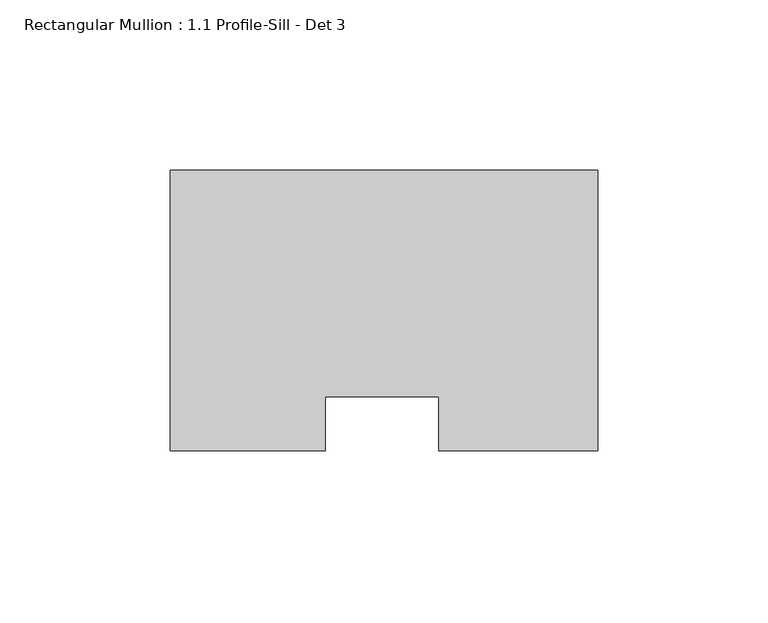
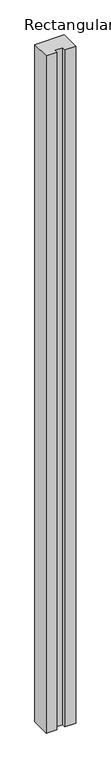
"""IFC4 building model written with IfcOpenShell, lengths in millimetres: member geometry, Rectangular Mullion : 1.1 Profile-Sill - Det 3."""

import ifcopenshell
import ifcopenshell.guid

model = None  # the IFC model being written
_history = None  # IfcOwnerHistory: only IFC2X3 demands one
_inside = {}  # id of a spatial element -> (the spatial element, [elements in it])
_under = {}  # id of a project, library or spatial element -> (it, [spatial elements below it])
_declared = {}  # id of a project -> (the project, [libraries it declares])
_typed = {}  # id of a type object -> (the type object, [elements of that type])
_made_of = {}  # id of a material, layer set ... -> (it, [elements and type objects made of it])


def new_model(schema):
    """Start an empty IFC model of exactly this schema.

    Asked for "IFC4X3", IfcOpenShell would pick the latest addendum, in which some entities
    have other attributes; the version numbers below select the first issue.
    IFC2X3 requires an IfcOwnerHistory on every rooted entity: one is made here for all.
    """
    global model, _history
    if schema == "IFC4X3":
        model = ifcopenshell.file(schema_version=(4, 3, 0, 0))
    else:
        model = ifcopenshell.file(schema=schema)
    _inside.clear()
    _under.clear()
    _declared.clear()
    _typed.clear()
    _made_of.clear()
    _history = None
    if model.schema == "IFC2X3":
        org = make("IfcOrganization", Name="unknown")
        user = make(
            "IfcPersonAndOrganization",
            ThePerson=make("IfcPerson", FamilyName="unknown"),
            TheOrganization=org,
        )
        app = make(
            "IfcApplication",
            ApplicationDeveloper=org,
            Version="unknown",
            ApplicationFullName="unknown",
            ApplicationIdentifier="unknown",
        )
        _history = make(
            "IfcOwnerHistory",
            OwningUser=user,
            OwningApplication=app,
            ChangeAction="ADDED",
            CreationDate=0,
        )
    return model


def make(cls, **values):
    """One entity of the class cls with the attributes given. An attribute that is None is left unset."""
    return model.create_entity(
        cls, **{name: value for name, value in values.items() if value is not None}
    )


def rooted(cls, **values):
    """An entity with a GlobalId (a new one), such as an element, a storey or a relation."""
    return make(cls, GlobalId=ifcopenshell.guid.new(), OwnerHistory=_history, **values)


def si_unit(unit_type, name, prefix=None):
    """IfcSIUnit, for example si_unit("LENGTHUNIT", "METRE", prefix="MILLI")."""
    return make("IfcSIUnit", UnitType=unit_type, Prefix=prefix, Name=name)


def assignment(units):
    """IfcUnitAssignment: the units of a project."""
    return None if units is None else make("IfcUnitAssignment", Units=units)


def point(xyz):
    """IfcCartesianPoint."""
    return None if xyz is None else make("IfcCartesianPoint", Coordinates=xyz)


def direction(xyz):
    """IfcDirection."""
    return None if xyz is None else make("IfcDirection", DirectionRatios=xyz)


def frame(location, z_axis=None, x_axis=None):
    """IfcAxis2Placement3D, a coordinate frame: its origin and axes. An axis left out is left unset."""
    return make(
        "IfcAxis2Placement3D",
        Location=point(location),
        Axis=direction(z_axis),
        RefDirection=direction(x_axis),
    )


def origin():
    """The frame at (0, 0, 0) with its axes left unset."""
    return frame((0.0, 0.0, 0.0))


def place(relative_to, where):
    """IfcLocalPlacement: puts the frame where relative to a parent placement (None: the world)."""
    return make(
        "IfcLocalPlacement", PlacementRelTo=relative_to, RelativePlacement=where
    )


def context(
    kind, dimensions, precision=None, world=None, true_north=None, identifier=None
):
    """IfcGeometricRepresentationContext, for example the 3D "Model" context."""
    return make(
        "IfcGeometricRepresentationContext",
        ContextIdentifier=identifier,
        ContextType=kind,
        CoordinateSpaceDimension=dimensions,
        Precision=precision,
        WorldCoordinateSystem=world,
        TrueNorth=true_north,
    )


def project(units=None, contexts=None):
    """IfcProject with its units and contexts."""
    return rooted(
        "IfcProject",
        Name="project",
        RepresentationContexts=contexts,
        UnitsInContext=assignment(units),
    )


def spatial(cls, under=None, at=None, **own):
    """A site, building, storey or space (cls), placed at a placement, below another one or the project."""
    s = rooted(cls, ObjectPlacement=at, **own)
    if under is not None:
        _under.setdefault(under.id(), (under, []))[1].append(s)
    return s


def polyline(points):
    """IfcPolyline through the points."""
    return make("IfcPolyline", Points=[point(p) for p in points])


def outline(outer, holes=None, kind="AREA"):
    """IfcArbitraryClosedProfileDef: a profile drawn as a closed curve; with holes, ...WithVoids."""
    if holes is None:
        return make("IfcArbitraryClosedProfileDef", ProfileType=kind, OuterCurve=outer)
    return make(
        "IfcArbitraryProfileDefWithVoids",
        ProfileType=kind,
        OuterCurve=outer,
        InnerCurves=holes,
    )


def extrude(swept, where, along, depth):
    """IfcExtrudedAreaSolid: the profile swept, set in the frame where, extruded along a direction by depth."""
    return make(
        "IfcExtrudedAreaSolid",
        SweptArea=swept,
        Position=where,
        ExtrudedDirection=direction(along),
        Depth=depth,
    )


def shape(context_of_items, identifier, shape_type, items):
    """IfcShapeRepresentation: the items that make up one representation, for example the "Body"."""
    return make(
        "IfcShapeRepresentation",
        ContextOfItems=context_of_items,
        RepresentationIdentifier=identifier,
        RepresentationType=shape_type,
        Items=items,
    )


def source(mapping_origin, context_of_items, identifier, shape_type, items):
    """IfcRepresentationMap: a shape defined once, which mapped items show again and again."""
    return make(
        "IfcRepresentationMap",
        MappingOrigin=mapping_origin,
        MappedRepresentation=shape(context_of_items, identifier, shape_type, items),
    )


def transform(
    local_origin,
    x_axis=None,
    y_axis=None,
    z_axis=None,
    scale=None,
    scale2=None,
    scale3=None,
    uniform=True,
):
    """IfcCartesianTransformationOperator3D, or its non-uniform kind. x_axis, y_axis, z_axis: its Axis1, 2, 3."""
    if uniform:
        return make(
            "IfcCartesianTransformationOperator3D",
            Axis1=direction(x_axis),
            Axis2=direction(y_axis),
            LocalOrigin=point(local_origin),
            Scale=scale,
            Axis3=direction(z_axis),
        )
    return make(
        "IfcCartesianTransformationOperator3DnonUniform",
        Axis1=direction(x_axis),
        Axis2=direction(y_axis),
        LocalOrigin=point(local_origin),
        Scale=scale,
        Axis3=direction(z_axis),
        Scale2=scale2,
        Scale3=scale3,
    )


def mapped(mapping_source, mapping_target):
    """IfcMappedItem: shows the shape of a source again, moved by a transform."""
    return make(
        "IfcMappedItem", MappingSource=mapping_source, MappingTarget=mapping_target
    )


def made_of(thing, what):
    """Note that an element or type object is made of a material, layer set ...; save() writes the relation."""
    if what is not None:
        _made_of.setdefault(what.id(), (what, []))[1].append(thing)
    return thing


def element(
    cls,
    number,
    at=None,
    inside=None,
    cuts=None,
    type_object=None,
    material=None,
    context=None,
    identifier="Body",
    shape_type=None,
    held_by="IfcProductDefinitionShape",
    body=None,
    shapes=None,
    **own,
):
    """One element of the class cls, such as IfcWall. Its Tag is "e" and its number.

    at: its placement. inside: the storey or other place that contains it. cuts: it is an
    opening in that element (IfcRelVoidsElement). A single representation is given by context,
    identifier, shape_type and body (its items); several are given by shapes. held_by: the class
    of the entity that holds the representations. save() writes the other relations.
    """
    e = rooted(cls, Tag="e%d" % number, ObjectPlacement=at, **own)
    if body is not None:
        shapes = [shape(context, identifier, shape_type, body)]
    if shapes is not None:
        e.Representation = make(held_by, Representations=shapes)
    if inside is not None:
        _inside.setdefault(inside.id(), (inside, []))[1].append(e)
    if cuts is not None:
        rooted(
            "IfcRelVoidsElement", RelatingBuildingElement=cuts, RelatedOpeningElement=e
        )
    if type_object is not None:
        _typed.setdefault(type_object.id(), (type_object, []))[1].append(e)
    return made_of(e, material)


def aggregate(whole, parts):
    """IfcRelAggregates: a whole, such as a stair, and the parts it consists of."""
    return rooted("IfcRelAggregates", RelatingObject=whole, RelatedObjects=parts)


def save(model, path):
    """Write the relations noted so far, then the file.

    IfcRelAggregates (storeys below a building ...), IfcRelContainedInSpatialStructure (elements
    in a storey), IfcRelDefinesByType, IfcRelAssociatesMaterial and IfcRelDeclares: one each for
    every whole, place, type object, material and project.
    """
    for whole, parts in _under.values():
        aggregate(whole, parts)
    for where, things in _inside.values():
        rooted(
            "IfcRelContainedInSpatialStructure",
            RelatedElements=things,
            RelatingStructure=where,
        )
    for kind, things in _typed.values():
        rooted("IfcRelDefinesByType", RelatedObjects=things, RelatingType=kind)
    for what, things in _made_of.values():
        rooted("IfcRelAssociatesMaterial", RelatedObjects=things, RelatingMaterial=what)
    for by, libraries in _declared.values():
        rooted("IfcRelDeclares", RelatingContext=by, RelatedDefinitions=libraries)
    model.write(path)


def rectangular_mullion_1_1_profile_sill_det_3_4a718368(model_context):
    return source(origin(), model_context, "Body", "SweptSolid", [
        extrude(outline(polyline([(-46.7873187, -43.053), (-46.7873187, -27.178), (-80.2341338, -27.178), (-80.2341338, -43.053), (-125.7808, -43.053), (-125.7808, 39.5018917), (0.0, 39.5018917), (0.0, -43.053), (-46.7873187, -43.053)])), frame((0.0, 0.0, -3048.0), z_axis=(0.0, 0.0, 1.0), x_axis=(1.0, 0.0, 0.0)), (0.0, 0.0, 1.0), 3048.0),
    ])


if __name__ == "__main__":
    model = new_model("IFC4")
    model_context = context("Model", 3, world=origin())
    ifc_project = project(units=[si_unit("LENGTHUNIT", "METRE", prefix="MILLI")], contexts=[model_context])
    site = spatial("IfcSite", under=ifc_project)
    building = spatial("IfcBuilding", under=site)
    placement = place(None, origin())
    rectangular_mullion_1_1_profile_sill_det_3_shape = rectangular_mullion_1_1_profile_sill_det_3_4a718368(model_context)
    element("IfcMember", 1, ObjectType="Rectangular Mullion : 1.1 Profile-Sill - Det 3", at=placement, inside=building, context=model_context, shape_type="MappedRepresentation", body=[
        mapped(rectangular_mullion_1_1_profile_sill_det_3_shape, transform((0.0, 0.0, 0.0), x_axis=(1.0, 0.0, 0.0), y_axis=(0.0, 1.0, 0.0), z_axis=(0.0, 0.0, 1.0))),
    ])
    save(model, "model.ifc")
